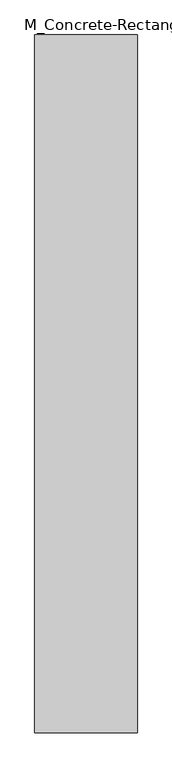
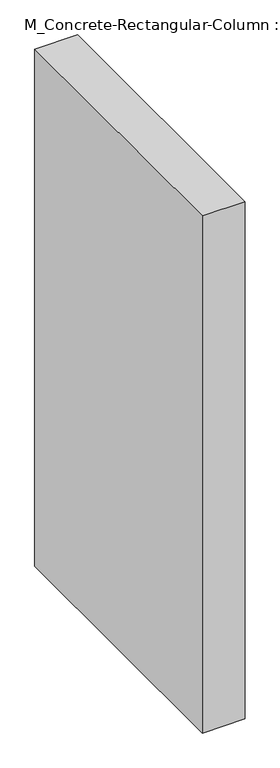
"""IFC4 building model written with IfcOpenShell, lengths in millimetres: column geometry, M_Concrete-Rectangular-Column : 50x340."""

from ifc_helpers import new_model, si_unit, frame, origin, place, context, project, spatial, polyline, outline, extrude, source, transform, mapped, element, save


def m_concrete_rectangular_column_50x340_d7cf7e09(model_context):
    return source(origin(), model_context, "Body", "SweptSolid", [
        extrude(outline(polyline([(250.0, 1700.0), (250.0, -1700.0), (-250.0, -1700.0), (-250.0, 1700.0), (250.0, 1700.0)])), frame((0.0, 0.0, -6400.0), z_axis=(0.0, 0.0, 1.0), x_axis=(1.0, 0.0, 0.0)), (0.0, 0.0, 1.0), 6400.0),
    ])


if __name__ == "__main__":
    model = new_model("IFC4")
    model_context = context("Model", 3, world=origin())
    ifc_project = project(units=[si_unit("LENGTHUNIT", "METRE", prefix="MILLI")], contexts=[model_context])
    site = spatial("IfcSite", under=ifc_project)
    building = spatial("IfcBuilding", under=site)
    placement = place(None, origin())
    m_concrete_rectangular_column_50x340_shape = m_concrete_rectangular_column_50x340_d7cf7e09(model_context)
    element("IfcColumn", 1, ObjectType="M_Concrete-Rectangular-Column : 50x340", at=placement, inside=building, context=model_context, shape_type="MappedRepresentation", body=[
        mapped(m_concrete_rectangular_column_50x340_shape, transform((0.0, 0.0, 0.0), x_axis=(1.0, 0.0, 0.0), y_axis=(0.0, 1.0, 0.0), z_axis=(0.0, 0.0, 1.0))),
    ])
    save(model, "model.ifc")
